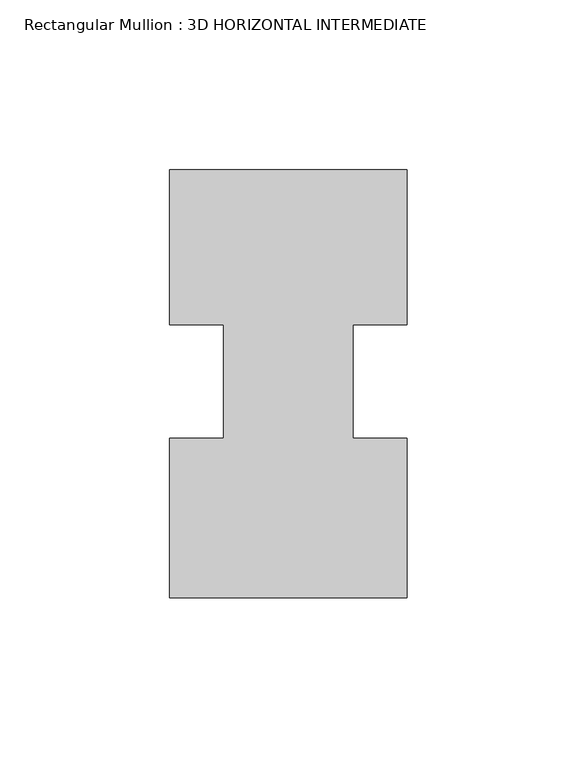
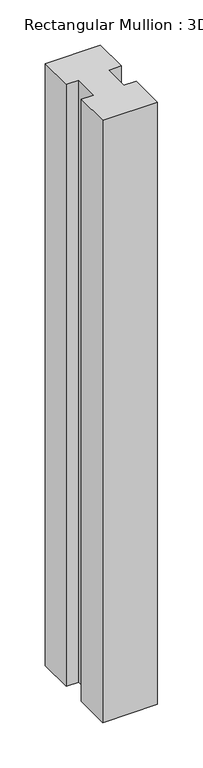
"""IFC4 building model written with IfcOpenShell, lengths in millimetres: member geometry, Rectangular Mullion : 3D HORIZONTAL INTERMEDIATE."""

from ifc_helpers import new_model, si_unit, frame, origin, place, context, project, spatial, polyline, outline, extrude, source, transform, mapped, element, save


def rectangular_mullion_3d_horizontal_intermediate_ccc256bc(model_context):
    return source(origin(), model_context, "Body", "SweptSolid", [
        extrude(outline(polyline([(-19.05, 16.678595), (-34.925, 16.678595), (-34.925, 62.251905), (34.925, 62.251905), (34.925, 16.678595), (19.05, 16.678595), (19.05, -16.678595), (34.925, -16.678595), (34.925, -63.528895), (-34.925, -63.528895), (-34.925, -16.6844264), (-19.05, -16.6844264), (-19.05, 16.678595)])), frame((0.0, 0.0, -809.625), z_axis=(0.0, 0.0, 1.0), x_axis=(1.0, 0.0, 0.0)), (0.0, 0.0, 1.0), 809.625),
    ])


if __name__ == "__main__":
    model = new_model("IFC4")
    model_context = context("Model", 3, world=origin())
    ifc_project = project(units=[si_unit("LENGTHUNIT", "METRE", prefix="MILLI")], contexts=[model_context])
    site = spatial("IfcSite", under=ifc_project)
    building = spatial("IfcBuilding", under=site)
    placement = place(None, origin())
    rectangular_mullion_3d_horizontal_intermediate_shape = rectangular_mullion_3d_horizontal_intermediate_ccc256bc(model_context)
    element("IfcMember", 1, ObjectType="Rectangular Mullion : 3D HORIZONTAL INTERMEDIATE", at=placement, inside=building, context=model_context, shape_type="MappedRepresentation", body=[
        mapped(rectangular_mullion_3d_horizontal_intermediate_shape, transform((0.0, 0.0, 0.0), x_axis=(1.0, 0.0, 0.0), y_axis=(0.0, 1.0, 0.0), z_axis=(0.0, 0.0, 1.0))),
    ])
    save(model, "model.ifc")
